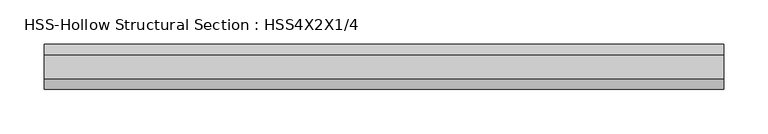
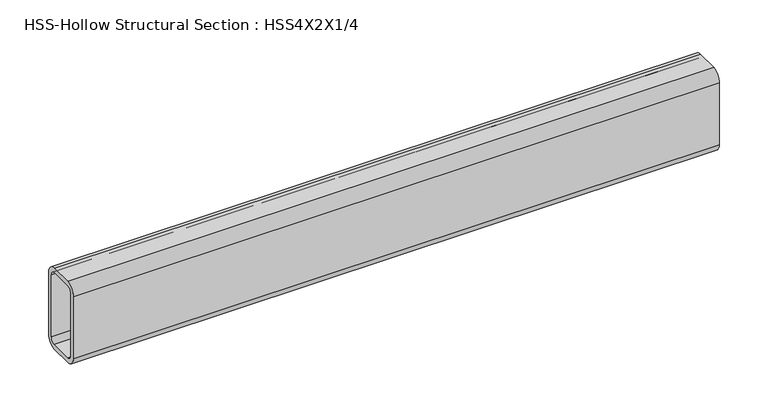
"""IFC4 building model written with IfcOpenShell, lengths in millimetres: beam geometry, HSS-Hollow Structural Section : HSS4X2X1/4."""

from ifc_helpers import new_model, si_unit, point, frame, frame_2d, origin, place, context, project, spatial, polyline, circle_curve, trimmed, segment, composite_curve, outline, extrude, source, transform, mapped, element, save


def hss_hollow_structural_section_hss4x2x1_4_e52e84b7(model_context):
    return source(origin(), model_context, "Body", "SweptSolid", [
        extrude(outline(composite_curve([segment(polyline([(25.4, 38.9636), (25.4, -38.9636)]), True, "CONTINUOUS"), segment(trimmed(circle_curve(frame_2d((13.5636, -38.9636)), 11.8364), [point((25.4, -38.9636))], [point((13.5636, -50.8))], False, "CARTESIAN"), True, "CONTINUOUS"), segment(polyline([(13.5636, -50.8), (-13.5636, -50.8)]), True, "CONTINUOUS"), segment(trimmed(circle_curve(frame_2d((-13.5636, -38.9636)), 11.8364), [point((-13.5636, -50.8))], [point((-25.4, -38.9636))], False, "CARTESIAN"), True, "CONTINUOUS"), segment(polyline([(-25.4, -38.9636), (-25.4, 38.9636)]), True, "CONTINUOUS"), segment(trimmed(circle_curve(frame_2d((-13.5636, 38.9636)), 11.8364), [point((-25.4, 38.9636))], [point((-13.5636, 50.8))], False, "CARTESIAN"), True, "CONTINUOUS"), segment(polyline([(-13.5636, 50.8), (13.5636, 50.8)]), True, "CONTINUOUS"), segment(trimmed(circle_curve(frame_2d((13.5636, 38.9636)), 11.8364), [point((13.5636, 50.8))], [point((25.4, 38.9636))], False, "CARTESIAN"), True, "CONTINUOUS")], self_intersect=False), holes=[composite_curve([segment(trimmed(circle_curve(frame_2d((-13.5636, 38.9636)), 5.9182), [point((-13.5636, 44.8818))], [point((-19.4818, 38.9636))], True, "CARTESIAN"), True, "CONTINUOUS"), segment(polyline([(-19.4818, 38.9636), (-19.4818, -38.9636)]), True, "CONTINUOUS"), segment(trimmed(circle_curve(frame_2d((-13.5636, -38.9636)), 5.9182), [point((-19.4818, -38.9636))], [point((-13.5636, -44.8818))], True, "CARTESIAN"), True, "CONTINUOUS"), segment(polyline([(-13.5636, -44.8818), (13.5636, -44.8818)]), True, "CONTINUOUS"), segment(trimmed(circle_curve(frame_2d((13.5636, -38.9636)), 5.9182), [point((13.5636, -44.8818))], [point((19.4818, -38.9636))], True, "CARTESIAN"), True, "CONTINUOUS"), segment(polyline([(19.4818, -38.9636), (19.4818, 38.9636)]), True, "CONTINUOUS"), segment(trimmed(circle_curve(frame_2d((13.5636, 38.9636)), 5.9182), [point((19.4818, 38.9636))], [point((13.5636, 44.8818))], True, "CARTESIAN"), True, "CONTINUOUS"), segment(polyline([(13.5636, 44.8818), (-13.5636, 44.8818)]), True, "CONTINUOUS")], self_intersect=False)]), frame((-383.4765, 0.0, 0.0), z_axis=(1.0, 0.0, 0.0), x_axis=(0.0, 1.0, 0.0)), (0.0, 0.0, 1.0), 767.1848899),
    ])


if __name__ == "__main__":
    model = new_model("IFC4")
    model_context = context("Model", 3, world=origin())
    ifc_project = project(units=[si_unit("LENGTHUNIT", "METRE", prefix="MILLI")], contexts=[model_context])
    site = spatial("IfcSite", under=ifc_project)
    building = spatial("IfcBuilding", under=site)
    placement = place(None, origin())
    hss_hollow_structural_section_hss4x2x1_4_shape = hss_hollow_structural_section_hss4x2x1_4_e52e84b7(model_context)
    element("IfcBeam", 1, ObjectType="HSS-Hollow Structural Section : HSS4X2X1/4", at=placement, inside=building, context=model_context, shape_type="MappedRepresentation", body=[
        mapped(hss_hollow_structural_section_hss4x2x1_4_shape, transform((0.0, 0.0, 0.0), x_axis=(1.0, 0.0, 0.0), y_axis=(0.0, 1.0, 0.0), z_axis=(0.0, 0.0, 1.0))),
    ])
    save(model, "model.ifc")
